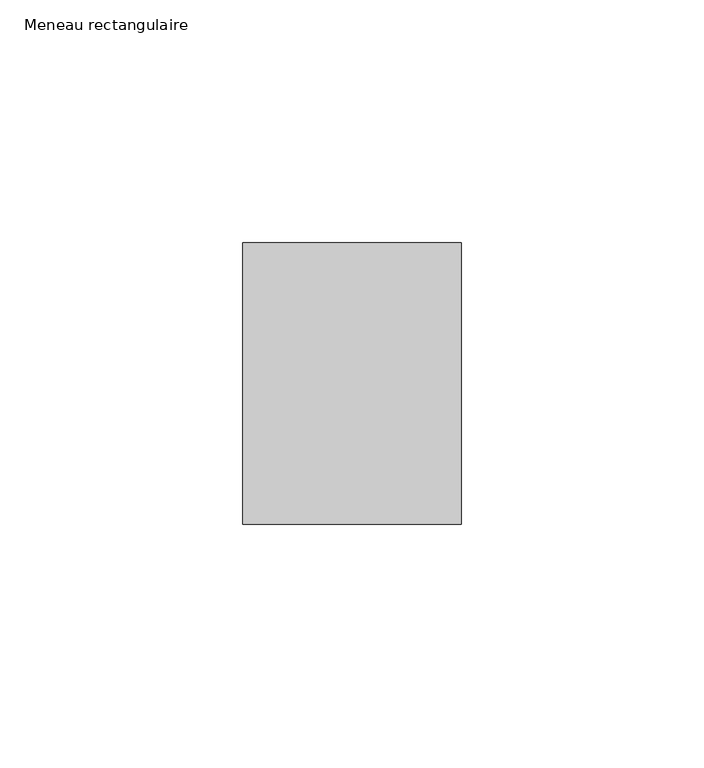
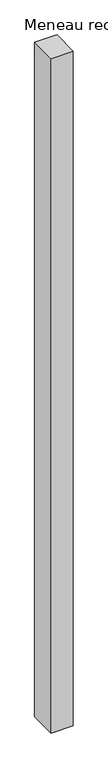
"""IFC4 building model written with IfcOpenShell, lengths in millimetres: member geometry, Meneau rectangulaire."""

from ifc_helpers import new_model, si_unit, frame, origin, place, context, project, spatial, polyline, outline, extrude, source, transform, mapped, element, save


def meneau_rectangulaire_48a63641(model_context):
    return source(origin(), model_context, "Body", "SweptSolid", [
        extrude(outline(polyline([(-45.0, 29.0), (0.0, 29.0), (0.0, -29.0), (-45.0, -29.0), (-45.0, 29.0)])), frame((0.0, 0.0, -1450.3333335), z_axis=(0.0, 0.0, 1.0), x_axis=(1.0, 0.0, 0.0)), (0.0, 0.0, 1.0), 1450.3333335),
    ])


if __name__ == "__main__":
    model = new_model("IFC4")
    model_context = context("Model", 3, world=origin())
    ifc_project = project(units=[si_unit("LENGTHUNIT", "METRE", prefix="MILLI")], contexts=[model_context])
    site = spatial("IfcSite", under=ifc_project)
    building = spatial("IfcBuilding", under=site)
    placement = place(None, origin())
    meneau_rectangulaire_shape = meneau_rectangulaire_48a63641(model_context)
    element("IfcMember", 1, ObjectType="Meneau rectangulaire", at=placement, inside=building, context=model_context, shape_type="MappedRepresentation", body=[
        mapped(meneau_rectangulaire_shape, transform((0.0, 0.0, 0.0), x_axis=(1.0, 0.0, 0.0), y_axis=(0.0, 1.0, 0.0), z_axis=(0.0, 0.0, 1.0))),
    ])
    save(model, "model.ifc")
